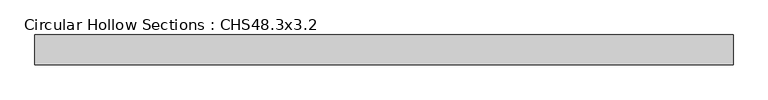
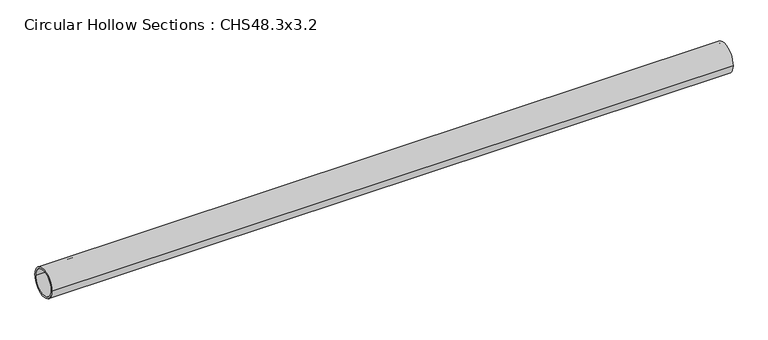
"""IFC4 building model written with IfcOpenShell, lengths in millimetres: member geometry, Circular Hollow Sections : CHS48.3x3.2."""

from ifc_helpers import new_model, si_unit, point, frame, origin, origin_2d, place, context, project, spatial, circle_curve, trimmed, segment, composite_curve, outline, extrude, source, transform, mapped, element, save


def circular_hollow_sections_chs48_3x3_2_a80163f9(model_context):
    return source(origin(), model_context, "Body", "SweptSolid", [
        extrude(outline(composite_curve([segment(trimmed(circle_curve(origin_2d(), 24.15), [point((-24.15, 0.0))], [point((24.15, 0.0))], False, "CARTESIAN"), True, "CONTINUOUS"), segment(trimmed(circle_curve(origin_2d(), 24.15), [point((24.15, 0.0))], [point((-24.15, 0.0))], False, "CARTESIAN"), True, "CONTINUOUS")], self_intersect=False), holes=[composite_curve([segment(trimmed(circle_curve(origin_2d(), 20.95), [point((20.95, 0.0))], [point((-20.95, 0.0))], True, "CARTESIAN"), True, "CONTINUOUS"), segment(trimmed(circle_curve(origin_2d(), 20.95), [point((-20.95, 0.0))], [point((20.95, 0.0))], True, "CARTESIAN"), True, "CONTINUOUS")], self_intersect=False)]), frame((-586.55, 0.0, 0.0), z_axis=(1.0, 0.0, 0.0), x_axis=(0.0, 1.0, 0.0)), (0.0, 0.0, 1.0), 1126.0),
    ])


if __name__ == "__main__":
    model = new_model("IFC4")
    model_context = context("Model", 3, world=origin())
    ifc_project = project(units=[si_unit("LENGTHUNIT", "METRE", prefix="MILLI")], contexts=[model_context])
    site = spatial("IfcSite", under=ifc_project)
    building = spatial("IfcBuilding", under=site)
    placement = place(None, origin())
    circular_hollow_sections_chs48_3x3_2_shape = circular_hollow_sections_chs48_3x3_2_a80163f9(model_context)
    element("IfcMember", 1, ObjectType="Circular Hollow Sections : CHS48.3x3.2", at=placement, inside=building, context=model_context, shape_type="MappedRepresentation", body=[
        mapped(circular_hollow_sections_chs48_3x3_2_shape, transform((0.0, 0.0, 0.0), x_axis=(1.0, 0.0, 0.0), y_axis=(0.0, 1.0, 0.0), z_axis=(0.0, 0.0, 1.0))),
    ])
    save(model, "model.ifc")
